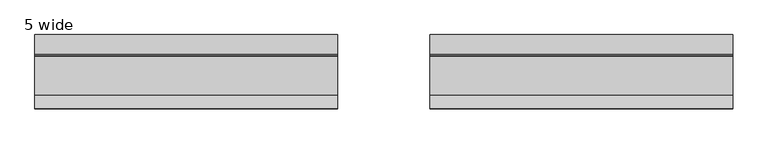
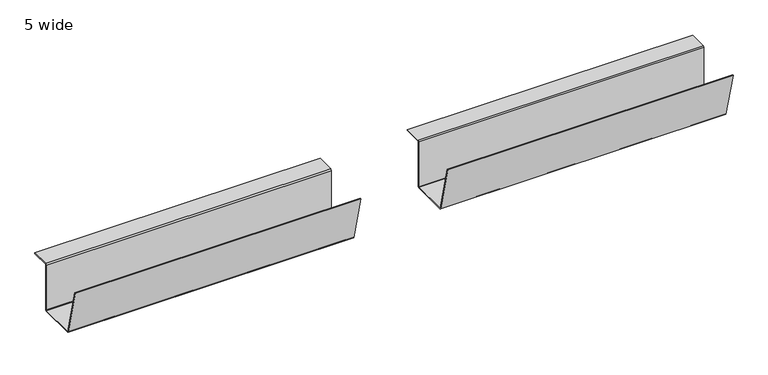
"""IFC4 building model written with IfcOpenShell, lengths in millimetres: furniture geometry, 5 wide."""

import ifcopenshell
import ifcopenshell.guid

model = None  # the IFC model being written
_history = None  # IfcOwnerHistory: only IFC2X3 demands one
_inside = {}  # id of a spatial element -> (the spatial element, [elements in it])
_under = {}  # id of a project, library or spatial element -> (it, [spatial elements below it])
_declared = {}  # id of a project -> (the project, [libraries it declares])
_typed = {}  # id of a type object -> (the type object, [elements of that type])
_made_of = {}  # id of a material, layer set ... -> (it, [elements and type objects made of it])


def new_model(schema):
    """Start an empty IFC model of exactly this schema.

    Asked for "IFC4X3", IfcOpenShell would pick the latest addendum, in which some entities
    have other attributes; the version numbers below select the first issue.
    IFC2X3 requires an IfcOwnerHistory on every rooted entity: one is made here for all.
    """
    global model, _history
    if schema == "IFC4X3":
        model = ifcopenshell.file(schema_version=(4, 3, 0, 0))
    else:
        model = ifcopenshell.file(schema=schema)
    _inside.clear()
    _under.clear()
    _declared.clear()
    _typed.clear()
    _made_of.clear()
    _history = None
    if model.schema == "IFC2X3":
        org = make("IfcOrganization", Name="unknown")
        user = make(
            "IfcPersonAndOrganization",
            ThePerson=make("IfcPerson", FamilyName="unknown"),
            TheOrganization=org,
        )
        app = make(
            "IfcApplication",
            ApplicationDeveloper=org,
            Version="unknown",
            ApplicationFullName="unknown",
            ApplicationIdentifier="unknown",
        )
        _history = make(
            "IfcOwnerHistory",
            OwningUser=user,
            OwningApplication=app,
            ChangeAction="ADDED",
            CreationDate=0,
        )
    return model


def make(cls, **values):
    """One entity of the class cls with the attributes given. An attribute that is None is left unset."""
    return model.create_entity(
        cls, **{name: value for name, value in values.items() if value is not None}
    )


def rooted(cls, **values):
    """An entity with a GlobalId (a new one), such as an element, a storey or a relation."""
    return make(cls, GlobalId=ifcopenshell.guid.new(), OwnerHistory=_history, **values)


def si_unit(unit_type, name, prefix=None):
    """IfcSIUnit, for example si_unit("LENGTHUNIT", "METRE", prefix="MILLI")."""
    return make("IfcSIUnit", UnitType=unit_type, Prefix=prefix, Name=name)


def assignment(units):
    """IfcUnitAssignment: the units of a project."""
    return None if units is None else make("IfcUnitAssignment", Units=units)


def point(xyz):
    """IfcCartesianPoint."""
    return None if xyz is None else make("IfcCartesianPoint", Coordinates=xyz)


def direction(xyz):
    """IfcDirection."""
    return None if xyz is None else make("IfcDirection", DirectionRatios=xyz)


def frame(location, z_axis=None, x_axis=None):
    """IfcAxis2Placement3D, a coordinate frame: its origin and axes. An axis left out is left unset."""
    return make(
        "IfcAxis2Placement3D",
        Location=point(location),
        Axis=direction(z_axis),
        RefDirection=direction(x_axis),
    )


def origin():
    """The frame at (0, 0, 0) with its axes left unset."""
    return frame((0.0, 0.0, 0.0))


def place(relative_to, where):
    """IfcLocalPlacement: puts the frame where relative to a parent placement (None: the world)."""
    return make(
        "IfcLocalPlacement", PlacementRelTo=relative_to, RelativePlacement=where
    )


def context(
    kind, dimensions, precision=None, world=None, true_north=None, identifier=None
):
    """IfcGeometricRepresentationContext, for example the 3D "Model" context."""
    return make(
        "IfcGeometricRepresentationContext",
        ContextIdentifier=identifier,
        ContextType=kind,
        CoordinateSpaceDimension=dimensions,
        Precision=precision,
        WorldCoordinateSystem=world,
        TrueNorth=true_north,
    )


def project(units=None, contexts=None):
    """IfcProject with its units and contexts."""
    return rooted(
        "IfcProject",
        Name="project",
        RepresentationContexts=contexts,
        UnitsInContext=assignment(units),
    )


def spatial(cls, under=None, at=None, **own):
    """A site, building, storey or space (cls), placed at a placement, below another one or the project."""
    s = rooted(cls, ObjectPlacement=at, **own)
    if under is not None:
        _under.setdefault(under.id(), (under, []))[1].append(s)
    return s


def polyline(points):
    """IfcPolyline through the points."""
    return make("IfcPolyline", Points=[point(p) for p in points])


def outline(outer, holes=None, kind="AREA"):
    """IfcArbitraryClosedProfileDef: a profile drawn as a closed curve; with holes, ...WithVoids."""
    if holes is None:
        return make("IfcArbitraryClosedProfileDef", ProfileType=kind, OuterCurve=outer)
    return make(
        "IfcArbitraryProfileDefWithVoids",
        ProfileType=kind,
        OuterCurve=outer,
        InnerCurves=holes,
    )


def extrude(swept, where, along, depth):
    """IfcExtrudedAreaSolid: the profile swept, set in the frame where, extruded along a direction by depth."""
    return make(
        "IfcExtrudedAreaSolid",
        SweptArea=swept,
        Position=where,
        ExtrudedDirection=direction(along),
        Depth=depth,
    )


def shape(context_of_items, identifier, shape_type, items):
    """IfcShapeRepresentation: the items that make up one representation, for example the "Body"."""
    return make(
        "IfcShapeRepresentation",
        ContextOfItems=context_of_items,
        RepresentationIdentifier=identifier,
        RepresentationType=shape_type,
        Items=items,
    )


def source(mapping_origin, context_of_items, identifier, shape_type, items):
    """IfcRepresentationMap: a shape defined once, which mapped items show again and again."""
    return make(
        "IfcRepresentationMap",
        MappingOrigin=mapping_origin,
        MappedRepresentation=shape(context_of_items, identifier, shape_type, items),
    )


def transform(
    local_origin,
    x_axis=None,
    y_axis=None,
    z_axis=None,
    scale=None,
    scale2=None,
    scale3=None,
    uniform=True,
):
    """IfcCartesianTransformationOperator3D, or its non-uniform kind. x_axis, y_axis, z_axis: its Axis1, 2, 3."""
    if uniform:
        return make(
            "IfcCartesianTransformationOperator3D",
            Axis1=direction(x_axis),
            Axis2=direction(y_axis),
            LocalOrigin=point(local_origin),
            Scale=scale,
            Axis3=direction(z_axis),
        )
    return make(
        "IfcCartesianTransformationOperator3DnonUniform",
        Axis1=direction(x_axis),
        Axis2=direction(y_axis),
        LocalOrigin=point(local_origin),
        Scale=scale,
        Axis3=direction(z_axis),
        Scale2=scale2,
        Scale3=scale3,
    )


def mapped(mapping_source, mapping_target):
    """IfcMappedItem: shows the shape of a source again, moved by a transform."""
    return make(
        "IfcMappedItem", MappingSource=mapping_source, MappingTarget=mapping_target
    )


def made_of(thing, what):
    """Note that an element or type object is made of a material, layer set ...; save() writes the relation."""
    if what is not None:
        _made_of.setdefault(what.id(), (what, []))[1].append(thing)
    return thing


def element(
    cls,
    number,
    at=None,
    inside=None,
    cuts=None,
    type_object=None,
    material=None,
    context=None,
    identifier="Body",
    shape_type=None,
    held_by="IfcProductDefinitionShape",
    body=None,
    shapes=None,
    **own,
):
    """One element of the class cls, such as IfcWall. Its Tag is "e" and its number.

    at: its placement. inside: the storey or other place that contains it. cuts: it is an
    opening in that element (IfcRelVoidsElement). A single representation is given by context,
    identifier, shape_type and body (its items); several are given by shapes. held_by: the class
    of the entity that holds the representations. save() writes the other relations.
    """
    e = rooted(cls, Tag="e%d" % number, ObjectPlacement=at, **own)
    if body is not None:
        shapes = [shape(context, identifier, shape_type, body)]
    if shapes is not None:
        e.Representation = make(held_by, Representations=shapes)
    if inside is not None:
        _inside.setdefault(inside.id(), (inside, []))[1].append(e)
    if cuts is not None:
        rooted(
            "IfcRelVoidsElement", RelatingBuildingElement=cuts, RelatedOpeningElement=e
        )
    if type_object is not None:
        _typed.setdefault(type_object.id(), (type_object, []))[1].append(e)
    return made_of(e, material)


def aggregate(whole, parts):
    """IfcRelAggregates: a whole, such as a stair, and the parts it consists of."""
    return rooted("IfcRelAggregates", RelatingObject=whole, RelatedObjects=parts)


def save(model, path):
    """Write the relations noted so far, then the file.

    IfcRelAggregates (storeys below a building ...), IfcRelContainedInSpatialStructure (elements
    in a storey), IfcRelDefinesByType, IfcRelAssociatesMaterial and IfcRelDeclares: one each for
    every whole, place, type object, material and project.
    """
    for whole, parts in _under.values():
        aggregate(whole, parts)
    for where, things in _inside.values():
        rooted(
            "IfcRelContainedInSpatialStructure",
            RelatedElements=things,
            RelatingStructure=where,
        )
    for kind, things in _typed.values():
        rooted("IfcRelDefinesByType", RelatedObjects=things, RelatingType=kind)
    for what, things in _made_of.values():
        rooted("IfcRelAssociatesMaterial", RelatedObjects=things, RelatingMaterial=what)
    for by, libraries in _declared.values():
        rooted("IfcRelDeclares", RelatingContext=by, RelatedDefinitions=libraries)
    model.write(path)


def furniture_5_wide_3e9edd9b(model_context):
    return source(origin(), model_context, "Body", "SweptSolid", [
        extrude(outline(polyline([(-316.7585724, 502.8984097), (-291.4505128, 403.0435825), (-290.6851639, 402.4480004), (-215.54987, 402.4480004), (-214.7598564, 403.2379958), (-214.7598564, 500.2099837), (-212.4458625, 502.524014), (-174.7598634, 502.524014), (-174.7598634, 501.0000154), (-212.4458625, 501.0000154), (-213.2358579, 500.2099837), (-213.2358579, 403.2379958), (-215.54987, 400.9240019), (-290.6851639, 400.9240019), (-292.9284047, 402.6696189), (-318.2358805, 502.524014), (-316.7585724, 502.8984097)])), frame((851.150009, 0.0, 0.0), z_axis=(1.0, 0.0, 0.0), x_axis=(0.0, 1.0, 0.0)), (0.0, 0.0, 1.0), 583.6919909),
        extrude(outline(polyline([(-316.7585724, 502.8984097), (-291.4505128, 403.0435825), (-290.6851639, 402.4480004), (-215.54987, 402.4480004), (-214.7598564, 403.2379958), (-214.7598564, 500.2099837), (-212.4458625, 502.524014), (-174.7598634, 502.524014), (-174.7598634, 501.0000154), (-212.4458625, 501.0000154), (-213.2358579, 500.2099837), (-213.2358579, 403.2379958), (-215.54987, 400.9240019), (-290.6851639, 400.9240019), (-292.9284047, 402.6696189), (-318.2358805, 502.524014), (-316.7585724, 502.8984097)])), frame((89.1499999, 0.0, 0.0), z_axis=(1.0, 0.0, 0.0), x_axis=(0.0, 1.0, 0.0)), (0.0, 0.0, 1.0), 583.6919909),
    ])


if __name__ == "__main__":
    model = new_model("IFC4")
    model_context = context("Model", 3, world=origin())
    ifc_project = project(units=[si_unit("LENGTHUNIT", "METRE", prefix="MILLI")], contexts=[model_context])
    site = spatial("IfcSite", under=ifc_project)
    building = spatial("IfcBuilding", under=site)
    placement = place(None, origin())
    furniture_5_wide_shape = furniture_5_wide_3e9edd9b(model_context)
    element("IfcFurniture", 1, ObjectType="5 wide", at=placement, inside=building, context=model_context, shape_type="MappedRepresentation", body=[
        mapped(furniture_5_wide_shape, transform((0.0, 0.0, 0.0), x_axis=(1.0, 0.0, 0.0), y_axis=(0.0, 1.0, 0.0), z_axis=(0.0, 0.0, 1.0))),
    ])
    save(model, "model.ifc")
